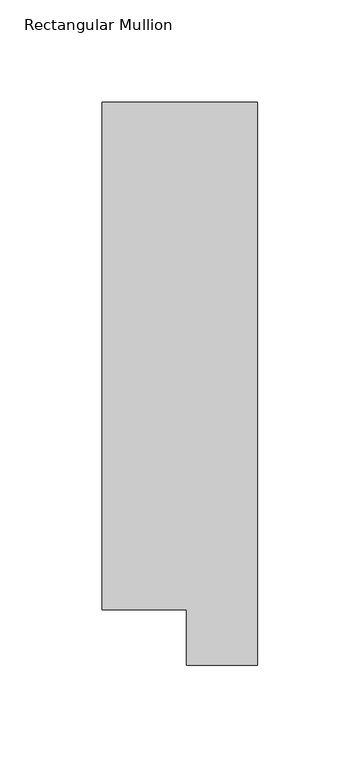
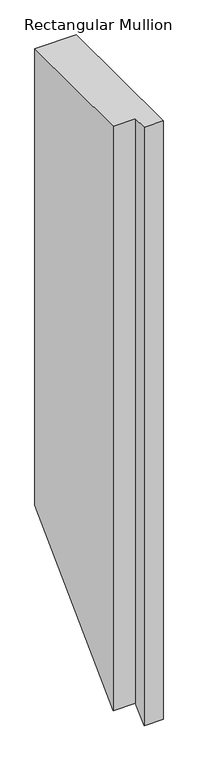
"""IFC4 building model written with IfcOpenShell, lengths in millimetres: member geometry, Rectangular Mullion."""

from ifc_helpers import new_model, si_unit, origin, place, context, project, spatial, faceted_brep, source, transform, mapped, element, save


def rectangular_mullion_a16ad863(model_context):
    return source(origin(), model_context, "Body", "Brep", [
        faceted_brep([(0.0, 295.1821312, 0.0), (-76.2, 295.1821312, 0.0), (-76.2, 46.7447302, 0.0), (-34.9123, 46.7447302, 0.0), (-34.9123, 19.5667313, 0.0), (0.0, 19.5667313, 0.0), (0.0, 295.1821312, -886.2372916), (-76.2, 295.1821312, -886.2372916), (-76.2, 46.7447302, -1134.6746927), (-34.9123, 46.7447302, -1134.6746927), (-34.9123, 19.5667313, -1161.8526916), (0.0, 19.5667313, -1161.8526916)], [[[0, 1, 2, 3, 4, 5]], [[1, 0, 6, 7]], [[2, 1, 7, 8]], [[3, 2, 8, 9]], [[4, 3, 9, 10]], [[5, 4, 10, 11]], [[0, 5, 11, 6]], [[6, 11, 10, 9, 8, 7]]]),
    ])


if __name__ == "__main__":
    model = new_model("IFC4")
    model_context = context("Model", 3, world=origin())
    ifc_project = project(units=[si_unit("LENGTHUNIT", "METRE", prefix="MILLI")], contexts=[model_context])
    site = spatial("IfcSite", under=ifc_project)
    building = spatial("IfcBuilding", under=site)
    placement = place(None, origin())
    rectangular_mullion_shape = rectangular_mullion_a16ad863(model_context)
    element("IfcMember", 1, ObjectType="Rectangular Mullion", at=placement, inside=building, context=model_context, shape_type="MappedRepresentation", body=[
        mapped(rectangular_mullion_shape, transform((0.0, 0.0, 0.0), x_axis=(1.0, 0.0, 0.0), y_axis=(0.0, 1.0, 0.0), z_axis=(0.0, 0.0, 1.0))),
    ])
    save(model, "model.ifc")
